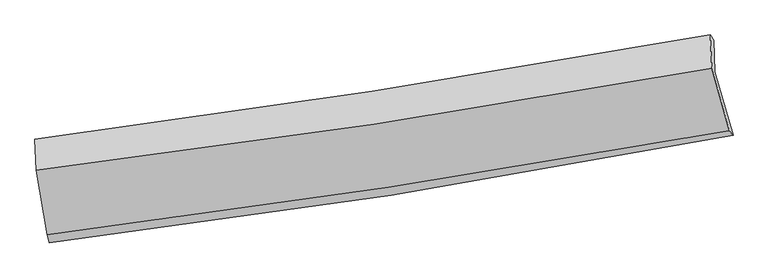
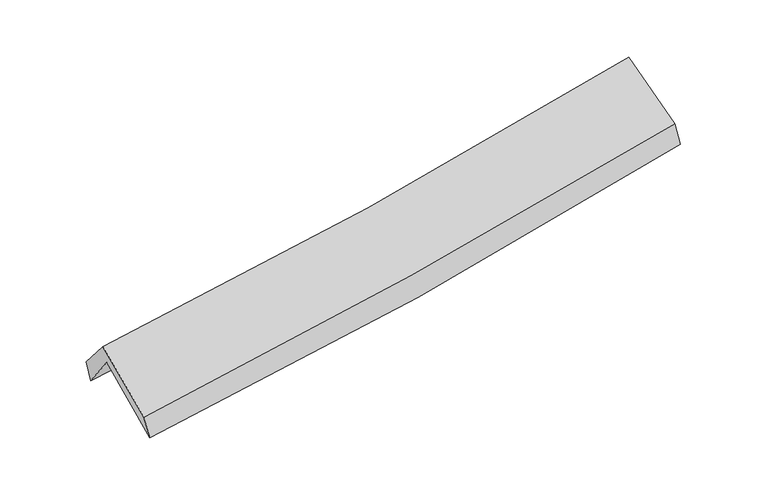
"""IFC4 building model written with IfcOpenShell, lengths in millimetres: proxy geometry."""

import ifcopenshell
import ifcopenshell.guid

model = None  # the IFC model being written
_history = None  # IfcOwnerHistory: only IFC2X3 demands one
_inside = {}  # id of a spatial element -> (the spatial element, [elements in it])
_under = {}  # id of a project, library or spatial element -> (it, [spatial elements below it])
_declared = {}  # id of a project -> (the project, [libraries it declares])
_typed = {}  # id of a type object -> (the type object, [elements of that type])
_made_of = {}  # id of a material, layer set ... -> (it, [elements and type objects made of it])


def new_model(schema):
    """Start an empty IFC model of exactly this schema.

    Asked for "IFC4X3", IfcOpenShell would pick the latest addendum, in which some entities
    have other attributes; the version numbers below select the first issue.
    IFC2X3 requires an IfcOwnerHistory on every rooted entity: one is made here for all.
    """
    global model, _history
    if schema == "IFC4X3":
        model = ifcopenshell.file(schema_version=(4, 3, 0, 0))
    else:
        model = ifcopenshell.file(schema=schema)
    _inside.clear()
    _under.clear()
    _declared.clear()
    _typed.clear()
    _made_of.clear()
    _history = None
    if model.schema == "IFC2X3":
        org = make("IfcOrganization", Name="unknown")
        user = make(
            "IfcPersonAndOrganization",
            ThePerson=make("IfcPerson", FamilyName="unknown"),
            TheOrganization=org,
        )
        app = make(
            "IfcApplication",
            ApplicationDeveloper=org,
            Version="unknown",
            ApplicationFullName="unknown",
            ApplicationIdentifier="unknown",
        )
        _history = make(
            "IfcOwnerHistory",
            OwningUser=user,
            OwningApplication=app,
            ChangeAction="ADDED",
            CreationDate=0,
        )
    return model


def make(cls, **values):
    """One entity of the class cls with the attributes given. An attribute that is None is left unset."""
    return model.create_entity(
        cls, **{name: value for name, value in values.items() if value is not None}
    )


def rooted(cls, **values):
    """An entity with a GlobalId (a new one), such as an element, a storey or a relation."""
    return make(cls, GlobalId=ifcopenshell.guid.new(), OwnerHistory=_history, **values)


def si_unit(unit_type, name, prefix=None):
    """IfcSIUnit, for example si_unit("LENGTHUNIT", "METRE", prefix="MILLI")."""
    return make("IfcSIUnit", UnitType=unit_type, Prefix=prefix, Name=name)


def assignment(units):
    """IfcUnitAssignment: the units of a project."""
    return None if units is None else make("IfcUnitAssignment", Units=units)


def point(xyz):
    """IfcCartesianPoint."""
    return None if xyz is None else make("IfcCartesianPoint", Coordinates=xyz)


def direction(xyz):
    """IfcDirection."""
    return None if xyz is None else make("IfcDirection", DirectionRatios=xyz)


def frame(location, z_axis=None, x_axis=None):
    """IfcAxis2Placement3D, a coordinate frame: its origin and axes. An axis left out is left unset."""
    return make(
        "IfcAxis2Placement3D",
        Location=point(location),
        Axis=direction(z_axis),
        RefDirection=direction(x_axis),
    )


def origin():
    """The frame at (0, 0, 0) with its axes left unset."""
    return frame((0.0, 0.0, 0.0))


def place(relative_to, where):
    """IfcLocalPlacement: puts the frame where relative to a parent placement (None: the world)."""
    return make(
        "IfcLocalPlacement", PlacementRelTo=relative_to, RelativePlacement=where
    )


def context(
    kind, dimensions, precision=None, world=None, true_north=None, identifier=None
):
    """IfcGeometricRepresentationContext, for example the 3D "Model" context."""
    return make(
        "IfcGeometricRepresentationContext",
        ContextIdentifier=identifier,
        ContextType=kind,
        CoordinateSpaceDimension=dimensions,
        Precision=precision,
        WorldCoordinateSystem=world,
        TrueNorth=true_north,
    )


def project(units=None, contexts=None):
    """IfcProject with its units and contexts."""
    return rooted(
        "IfcProject",
        Name="project",
        RepresentationContexts=contexts,
        UnitsInContext=assignment(units),
    )


def spatial(cls, under=None, at=None, **own):
    """A site, building, storey or space (cls), placed at a placement, below another one or the project."""
    s = rooted(cls, ObjectPlacement=at, **own)
    if under is not None:
        _under.setdefault(under.id(), (under, []))[1].append(s)
    return s


def shape(context_of_items, identifier, shape_type, items):
    """IfcShapeRepresentation: the items that make up one representation, for example the "Body"."""
    return make(
        "IfcShapeRepresentation",
        ContextOfItems=context_of_items,
        RepresentationIdentifier=identifier,
        RepresentationType=shape_type,
        Items=items,
    )


def source(mapping_origin, context_of_items, identifier, shape_type, items):
    """IfcRepresentationMap: a shape defined once, which mapped items show again and again."""
    return make(
        "IfcRepresentationMap",
        MappingOrigin=mapping_origin,
        MappedRepresentation=shape(context_of_items, identifier, shape_type, items),
    )


def transform(
    local_origin,
    x_axis=None,
    y_axis=None,
    z_axis=None,
    scale=None,
    scale2=None,
    scale3=None,
    uniform=True,
):
    """IfcCartesianTransformationOperator3D, or its non-uniform kind. x_axis, y_axis, z_axis: its Axis1, 2, 3."""
    if uniform:
        return make(
            "IfcCartesianTransformationOperator3D",
            Axis1=direction(x_axis),
            Axis2=direction(y_axis),
            LocalOrigin=point(local_origin),
            Scale=scale,
            Axis3=direction(z_axis),
        )
    return make(
        "IfcCartesianTransformationOperator3DnonUniform",
        Axis1=direction(x_axis),
        Axis2=direction(y_axis),
        LocalOrigin=point(local_origin),
        Scale=scale,
        Axis3=direction(z_axis),
        Scale2=scale2,
        Scale3=scale3,
    )


def mapped(mapping_source, mapping_target):
    """IfcMappedItem: shows the shape of a source again, moved by a transform."""
    return make(
        "IfcMappedItem", MappingSource=mapping_source, MappingTarget=mapping_target
    )


def made_of(thing, what):
    """Note that an element or type object is made of a material, layer set ...; save() writes the relation."""
    if what is not None:
        _made_of.setdefault(what.id(), (what, []))[1].append(thing)
    return thing


def element(
    cls,
    number,
    at=None,
    inside=None,
    cuts=None,
    type_object=None,
    material=None,
    context=None,
    identifier="Body",
    shape_type=None,
    held_by="IfcProductDefinitionShape",
    body=None,
    shapes=None,
    **own,
):
    """One element of the class cls, such as IfcWall. Its Tag is "e" and its number.

    at: its placement. inside: the storey or other place that contains it. cuts: it is an
    opening in that element (IfcRelVoidsElement). A single representation is given by context,
    identifier, shape_type and body (its items); several are given by shapes. held_by: the class
    of the entity that holds the representations. save() writes the other relations.
    """
    e = rooted(cls, Tag="e%d" % number, ObjectPlacement=at, **own)
    if body is not None:
        shapes = [shape(context, identifier, shape_type, body)]
    if shapes is not None:
        e.Representation = make(held_by, Representations=shapes)
    if inside is not None:
        _inside.setdefault(inside.id(), (inside, []))[1].append(e)
    if cuts is not None:
        rooted(
            "IfcRelVoidsElement", RelatingBuildingElement=cuts, RelatedOpeningElement=e
        )
    if type_object is not None:
        _typed.setdefault(type_object.id(), (type_object, []))[1].append(e)
    return made_of(e, material)


def aggregate(whole, parts):
    """IfcRelAggregates: a whole, such as a stair, and the parts it consists of."""
    return rooted("IfcRelAggregates", RelatingObject=whole, RelatedObjects=parts)


def save(model, path):
    """Write the relations noted so far, then the file.

    IfcRelAggregates (storeys below a building ...), IfcRelContainedInSpatialStructure (elements
    in a storey), IfcRelDefinesByType, IfcRelAssociatesMaterial and IfcRelDeclares: one each for
    every whole, place, type object, material and project.
    """
    for whole, parts in _under.values():
        aggregate(whole, parts)
    for where, things in _inside.values():
        rooted(
            "IfcRelContainedInSpatialStructure",
            RelatedElements=things,
            RelatingStructure=where,
        )
    for kind, things in _typed.values():
        rooted("IfcRelDefinesByType", RelatedObjects=things, RelatingType=kind)
    for what, things in _made_of.values():
        rooted("IfcRelAssociatesMaterial", RelatedObjects=things, RelatingMaterial=what)
    for by, libraries in _declared.values():
        rooted("IfcRelDeclares", RelatingContext=by, RelatedDefinitions=libraries)
    model.write(path)


def plane_surface(at):
    """IfcPlane: the flat surface through the origin of the frame at, square to its z axis."""
    return make("IfcPlane", Position=at)


def spline_curve(degree, points, multiplicities, knots, weights=None):
    """IfcBSplineCurveWithKnots; with weights, IfcRationalBSplineCurveWithKnots."""
    own = dict(
        Degree=degree,
        ControlPointsList=[point(p) for p in points],
        CurveForm="UNSPECIFIED",
        ClosedCurve=False,
        SelfIntersect=False,
        KnotMultiplicities=multiplicities,
        Knots=knots,
        KnotSpec="UNSPECIFIED",
    )
    if weights is None:
        return make("IfcBSplineCurveWithKnots", **own)
    return make("IfcRationalBSplineCurveWithKnots", WeightsData=weights, **own)


def spline_surface(u_degree, v_degree, points, u_multiplicities, v_multiplicities, u_knots, v_knots, weights=None):
    """IfcBSplineSurfaceWithKnots; with weights, IfcRationalBSplineSurfaceWithKnots. points: one row for each step in u."""
    own = dict(
        UDegree=u_degree,
        VDegree=v_degree,
        ControlPointsList=[[point(p) for p in row] for row in points],
        SurfaceForm="UNSPECIFIED",
        UClosed=False,
        VClosed=False,
        SelfIntersect=False,
        UMultiplicities=u_multiplicities,
        VMultiplicities=v_multiplicities,
        UKnots=u_knots,
        VKnots=v_knots,
        KnotSpec="UNSPECIFIED",
    )
    if weights is None:
        return make("IfcBSplineSurfaceWithKnots", **own)
    return make("IfcRationalBSplineSurfaceWithKnots", WeightsData=weights, **own)


def advanced_brep(points, edges, surfaces, faces):
    """IfcAdvancedBrep: a solid bounded by faces that lie on surfaces and meet in shared edges.

    An edge is (start, end): straight between two places in points (the first is 0);
    or (start, end, curve); or (start, end, curve, False) where it runs against its curve.
    A face is (place in surfaces, loops), or (place, loops, False) where it looks against
    its surface's normal. A loop lists edges by number (the first is 1), with a minus sign
    where the edge is run from its end to its start. The first loop is the outer one.
    """
    corners = [point(p) for p in points]
    vertices = [make("IfcVertexPoint", VertexGeometry=c) for c in corners]
    made = []
    for start, end, *more in edges:
        made.append(
            make(
                "IfcEdgeCurve",
                EdgeStart=vertices[start],
                EdgeEnd=vertices[end],
                EdgeGeometry=more[0] if more else make("IfcPolyline", Points=[corners[start], corners[end]]),
                SameSense=more[1] if len(more) > 1 else True,
            )
        )
    hull = []
    for where, loops, *sense in faces:
        bounds = []
        for j, loop in enumerate(loops):
            ring = [make("IfcOrientedEdge", EdgeElement=made[abs(k) - 1], Orientation=k > 0) for k in loop]
            bounds.append(
                make(
                    "IfcFaceOuterBound" if j == 0 else "IfcFaceBound",
                    Bound=make("IfcEdgeLoop", EdgeList=ring),
                    Orientation=True,
                )
            )
        hull.append(make("IfcAdvancedFace", Bounds=bounds, FaceSurface=surfaces[where], SameSense=sense[0] if sense else True))
    return make("IfcAdvancedBrep", Outer=make("IfcClosedShell", CfsFaces=hull))


def generic_models_db67215d(model_context):
    return source(origin(), model_context, "Body", "AdvancedBrep", [
        advanced_brep(
        [(-2603.3149239, -2504.1947857, 1474.6272186), (-2692.5717432, -1977.304618, 1922.4793138), (2624.9320002, -1159.2799384, 2389.9301537), (2770.7508081, -1659.9132676, 1942.0599815), (-2701.7778714, -1733.2861953, 1599.1468748), (2616.9447123, -911.6892493, 2062.9381685), (-2716.9082894, -1689.8428779, 1764.4345709), (2590.815777, -870.5402792, 2220.7200573), (-2705.3743453, -1934.9793271, 2051.4942684), (2603.80803, -1132.0668435, 2527.154779), (-2620.9484432, -2442.5011441, 1645.7056934), (2741.9349641, -1624.2198766, 2131.53349)],
        [
            (0, 1),
            (1, 2, spline_curve(3, [(-2692.5717432, -1977.304618, 1922.4793138), (-1801.130321304, -1879.135608807, 1971.562477678), (-913.758281678, -1762.174544132, 2034.879568222), (858.797982926, -1489.753714145, 2190.504076094), (1743.927191166, -1334.039885468, 2283.003932176), (2624.9320002, -1159.2799384, 2389.9301537)], [4, 2, 4], [0.0, 8.880892664969116, 17.82161731388579])),
            (2, 3),
            (3, 0, spline_curve(3, [(2770.7508081, -1659.9132676, 1942.0599815), (1879.392214047, -1833.027630189, 1842.531601355), (984.358292569, -1990.124215506, 1753.719764141), (-807.045977873, -2271.337721183, 1598.051795285), (-1703.367300418, -2395.668308736, 1531.052711405), (-2603.3149239, -2504.1947857, 1474.6272186)], [4, 2, 4], [0.0, 8.940724648916673, 17.82161731388579])),
            (1, 4),
            (4, 5, spline_curve(3, [(-2701.7778714, -1733.2861953, 1599.1468748), (-1810.268708503, -1629.601603576, 1640.870745099), (-922.761795266, -1509.577795616, 1700.192917359), (850.199841658, -1235.933048641, 1854.552091489), (1735.600456655, -1082.091207776, 1949.827017002), (2616.9447123, -911.6892493, 2062.9381685)], [4, 2, 4], [0.0, 8.834004840357446, 17.727525773943427])),
            (5, 2),
            (4, 6),
            (6, 7, spline_curve(3, [(-2716.9082894, -1689.8428779, 1764.4345709), (-1830.045417475, -1574.075161175, 1813.230840474), (-945.779848835, -1448.179421598, 1875.479793219), (823.496621327, -1175.215483519, 2027.393078721), (1708.472408022, -1028.010356489, 2117.2392884), (2590.815777, -870.5402792, 2220.7200573)], [4, 2, 4], [0.0, 8.824524563219306, 17.708501349534835])),
            (7, 5),
            (6, 8),
            (8, 9, spline_curve(3, [(-2705.3743453, -1934.9793271, 2051.4942684), (-1818.012059913, -1827.262036175, 2109.741985789), (-933.375235131, -1706.761710462, 2178.336290405), (836.389070819, -1439.297038979, 2336.749911317), (1721.479704224, -1292.159869875, 2426.70911006), (2603.80803, -1132.0668435, 2527.154779)], [4, 2, 4], [0.0, 8.814382129054762, 17.688148150016413])),
            (9, 7),
            (8, 10),
            (10, 11, spline_curve(3, [(-2620.9484432, -2442.5011441, 1645.7056934), (-1725.068066383, -2327.656837131, 1709.381535878), (-831.712808463, -2202.308893154, 1781.540609081), (955.949132748, -1929.690476773, 1943.368517125), (1850.221677332, -1782.277998365, 2033.152042834), (2741.9349641, -1624.2198766, 2131.53349)], [4, 2, 4], [0.0, 8.860453657021164, 17.780601597148138])),
            (11, 9),
            (10, 0),
            (3, 11),
        ],
        [
            spline_surface(3, 3, [[(-2603.3149239, -2504.1947857, 1474.6272186), (-1703.36730034, -2395.668308744, 1531.052711335), (-807.045977928, -2271.337721214, 1598.051795165), (984.358292623, -1990.124215475, 1753.719764262), (1879.392214166, -1833.027630266, 1842.531601435), (2770.7508081, -1659.9132676, 1942.0599815)], [(-2633.067196998, -2328.564729799, 1623.911250336), (-1735.954973975, -2223.490742085, 1677.889300083), (-842.616745835, -2101.616662197, 1743.66105283), (942.504856082, -1823.334048333, 1899.314534933), (1834.237206488, -1666.69838198, 1989.355711751), (2722.144538772, -1493.03549119, 2091.350038921)], [(-2662.819470102, -2152.934673901, 1773.195282064), (-1768.542647616, -2051.313175429, 1824.725888823), (-878.187513793, -1931.895603212, 1889.270310435), (900.65141949, -1656.543881225, 2044.909305545), (1789.082198892, -1500.369133725, 2136.179822004), (2673.538269528, -1326.15771481, 2240.640096279)], [(-2692.5717432, -1977.304618, 1922.4793138), (-1801.130321251, -1879.13560877, 1971.562477571), (-913.758281701, -1762.174544194, 2034.8795681), (858.797982948, -1489.753714083, 2190.504076217), (1743.927191214, -1334.039885439, 2283.00393232), (2624.9320002, -1159.2799384, 2389.9301537)]], [4, 4], [4, 2, 4], [0.0, 2.222903313670423], [0.0, 8.880892664969116, 17.82161731388579]),
            spline_surface(3, 3, [[(-2692.5717432, -1977.304618, 1922.4793138), (-1801.130321251, -1879.13560877, 1971.562477571), (-913.758281701, -1762.174544194, 2034.8795681), (858.797982948, -1489.753714083, 2190.504076217), (1743.927191214, -1334.039885439, 2283.00393232), (2624.9320002, -1159.2799384, 2389.9301537)], [(-2695.640452607, -1895.965143789, 1814.70183412), (-1804.176450302, -1795.957607052, 1861.331900084), (-916.759452943, -1677.975628046, 1923.317351207), (855.931935879, -1405.146825552, 2078.520081293), (1741.151613045, -1250.056992845, 2171.944960561), (2622.269570922, -1076.749708706, 2280.932825296)], [(-2698.709161993, -1814.625669511, 1706.92435448), (-1807.222579334, -1712.779605269, 1751.101322636), (-919.760624145, -1593.776711907, 1811.755134304), (853.06588885, -1320.539937029, 1966.536086361), (1738.376034809, -1166.074100232, 2060.885988813), (2619.607141578, -994.219478994, 2171.935496904)], [(-2701.7778714, -1733.2861953, 1599.1468748), (-1810.268708385, -1629.601603552, 1640.870745148), (-922.761795388, -1509.577795759, 1700.192917411), (850.199841781, -1235.933048498, 1854.552091437), (1735.60045664, -1082.091207637, 1949.827017054), (2616.9447123, -911.6892493, 2062.9381685)]], [4, 4], [4, 2, 4], [0.0, 1.378873955676796], [0.0, 8.834004840357446, 17.727525773943427]),
            spline_surface(3, 3, [[(-2701.7778714, -1733.2861953, 1599.1468748), (-1810.268708385, -1629.601603552, 1640.870745148), (-922.761795388, -1509.577795759, 1700.192917411), (850.199841781, -1235.933048498, 1854.552091437), (1735.60045664, -1082.091207637, 1949.827017054), (2616.9447123, -911.6892493, 2062.9381685)], [(-2706.82134404, -1718.805089499, 1654.242773513), (-1816.860944763, -1611.092789431, 1698.324110239), (-930.43447987, -1489.111671084, 1758.621875963), (841.298768322, -1215.693860131, 1912.165753908), (1726.557773801, -1064.064257304, 2005.631107465), (2608.235067203, -897.972925937, 2115.532131417)], [(-2711.86481676, -1704.323983701, 1709.338672187), (-1823.453181221, -1592.583975313, 1755.777475292), (-938.107164392, -1468.645546401, 1817.050834527), (832.397694825, -1195.454671757, 1969.77941639), (1717.515090952, -1046.037306959, 2061.435197924), (2599.525422097, -884.256602563, 2168.126094383)], [(-2716.9082894, -1689.8428779, 1764.4345709), (-1830.045417599, -1574.075161193, 1813.230840384), (-945.779848875, -1448.179421726, 1875.47979308), (823.496621367, -1175.21548339, 2027.393078861), (1708.472408113, -1028.010356627, 2117.239288335), (2590.815777, -870.5402792, 2220.7200573)]], [4, 4], [4, 2, 4], [0.0, 0.6106398372279486], [0.0, 8.824524563219306, 17.708501349534835]),
            spline_surface(3, 3, [[(-2716.9082894, -1689.8428779, 1764.4345709), (-1830.045417599, -1574.075161193, 1813.230840384), (-945.779848875, -1448.179421726, 1875.47979308), (823.496621367, -1175.21548339, 2027.393078861), (1708.472408113, -1028.010356627, 2117.239288335), (2590.815777, -870.5402792, 2220.7200573)], [(-2713.063641385, -1771.555027619, 1860.121136711), (-1826.034298416, -1658.470786165, 1912.067888871), (-941.644977623, -1534.373518006, 1976.43195887), (827.794104488, -1263.242668569, 2130.512022967), (1712.808173486, -1116.060194401, 2220.395895619), (2595.146527975, -957.715800631, 2322.86496455)], [(-2709.218993315, -1853.267177381, 1955.807702589), (-1822.023179179, -1742.866411181, 2010.904937426), (-937.510106333, -1620.56761426, 2077.384124706), (832.091587648, -1351.269853721, 2233.630967119), (1717.143938933, -1204.110032183, 2323.552502852), (2599.477279025, -1044.891322069, 2425.00987175)], [(-2705.3743453, -1934.9793271, 2051.4942684), (-1818.012059996, -1827.262036154, 2109.741985914), (-933.375235081, -1706.76171054, 2178.336290496), (836.389070769, -1439.2970389, 2336.749911225), (1721.479704306, -1292.159869957, 2426.709110136), (2603.80803, -1132.0668435, 2527.154779)]], [4, 4], [4, 2, 4], [0.0, 1.3212402543852664], [0.0, 8.814382129054762, 17.688148150016413]),
            spline_surface(3, 3, [[(-2705.3743453, -1934.9793271, 2051.4942684), (-1818.012059996, -1827.262036154, 2109.741985914), (-933.375235081, -1706.76171054, 2178.336290496), (836.389070769, -1439.2970389, 2336.749911225), (1721.479704306, -1292.159869957, 2426.709110136), (2603.80803, -1132.0668435, 2527.154779)], [(-2677.23237793, -2104.153266108, 1916.231410093), (-1787.030728748, -1994.060303194, 1976.288502573), (-899.48775954, -1871.944104743, 2046.071063357), (876.242424793, -1602.761518181, 2205.622779862), (1764.393695372, -1455.532579418, 2295.523421001), (2649.850341375, -1296.117854532, 2395.281015988)], [(-2649.09041057, -2273.327205092, 1780.968551707), (-1756.049397511, -2160.858570209, 1842.835019153), (-865.600284048, -2037.126498962, 1913.805836214), (916.095778768, -1766.22599748, 2074.495648494), (1807.307686413, -1618.905288885, 2164.337731903), (2695.892652725, -1460.168865568, 2263.407253012)], [(-2620.9484432, -2442.5011441, 1645.7056934), (-1725.068066263, -2327.65683725, 1709.381535812), (-831.712808507, -2202.308893164, 1781.540609075), (955.949132792, -1929.690476762, 1943.368517131), (1850.221677479, -1782.277998345, 2033.152042768), (2741.9349641, -1624.2198766, 2131.53349)]], [4, 4], [4, 2, 4], [0.0, 2.1041846024168263], [0.0, 8.860453657021164, 17.780601597148138]),
            spline_surface(3, 3, [[(-2620.9484432, -2442.5011441, 1645.7056934), (-1725.068066263, -2327.65683725, 1709.381535812), (-831.712808507, -2202.308893164, 1781.540609075), (955.949132792, -1929.690476762, 1943.368517131), (1850.221677479, -1782.277998345, 2033.152042768), (2741.9349641, -1624.2198766, 2131.53349)], [(-2615.070603441, -2463.065691286, 1588.679535128), (-1717.83447763, -2350.327327734, 1649.938594314), (-823.490531667, -2225.318502522, 1720.3776711), (965.418852717, -1949.835056341, 1880.152266169), (1859.945189727, -1799.194542323, 1969.611895651), (2751.540245452, -1636.117673604, 2068.375653827)], [(-2609.192763659, -2483.630238514, 1531.653376872), (-1710.600888973, -2372.99781826, 1590.495652833), (-815.268254768, -2248.328111857, 1659.21473314), (974.888572699, -1969.979635896, 1816.936015224), (1869.668701918, -1816.111086288, 1906.071748553), (2761.145526748, -1648.015470596, 2005.217817673)], [(-2603.3149239, -2504.1947857, 1474.6272186), (-1703.36730034, -2395.668308744, 1531.052711335), (-807.045977928, -2271.337721214, 1598.051795165), (984.358292623, -1990.124215475, 1753.719764262), (1879.392214166, -1833.027630266, 1842.531601435), (2770.7508081, -1659.9132676, 1942.0599815)]], [4, 4], [4, 2, 4], [0.0, 0.6537596261530346], [0.0, 8.917473969320772, 17.895026376644715]),
            plane_surface(frame((2658.1977153, -1226.2849091, 2212.3894383), z_axis=(0.9765901458690875, 0.18230307344316313, 0.11418089334284848), x_axis=(0.213692376394553, -0.7613964058375513, -0.6120548026512885))),
            plane_surface(frame((-2673.4826027, -2047.018158, 1742.9813233), z_axis=(-0.991326160515494, -0.11692160124111117, -0.060014853501644774), x_axis=(-0.09650815563084086, 0.33764896658060106, 0.9363115674089398))),
        ],
        [
            (0, [[1, 2, 3, 4]]),
            (1, [[5, 6, 7, -2]]),
            (2, [[8, 9, 10, -6]]),
            (3, [[11, 12, 13, -9]]),
            (4, [[14, 15, 16, -12]]),
            (5, [[17, -4, 18, -15]]),
            (6, [[-16, -18, -3, -7, -10, -13]]),
            (7, [[-17, -14, -11, -8, -5, -1]]),
        ],
    ),
    ])


if __name__ == "__main__":
    model = new_model("IFC4")
    model_context = context("Model", 3, world=origin())
    ifc_project = project(units=[si_unit("LENGTHUNIT", "METRE", prefix="MILLI")], contexts=[model_context])
    site = spatial("IfcSite", under=ifc_project)
    building = spatial("IfcBuilding", under=site)
    placement = place(None, origin())
    generic_models_shape = generic_models_db67215d(model_context)
    element("IfcBuildingElementProxy", 1, Name="Generic Models", at=placement, inside=building, context=model_context, shape_type="MappedRepresentation", body=[
        mapped(generic_models_shape, transform((0.0, 0.0, 0.0), x_axis=(1.0, 0.0, 0.0), y_axis=(0.0, 1.0, 0.0), z_axis=(0.0, 0.0, 1.0))),
    ])
    save(model, "model.ifc")
